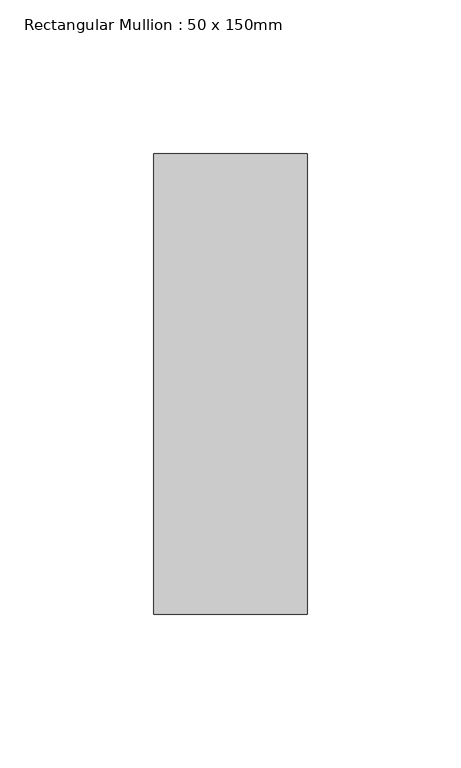
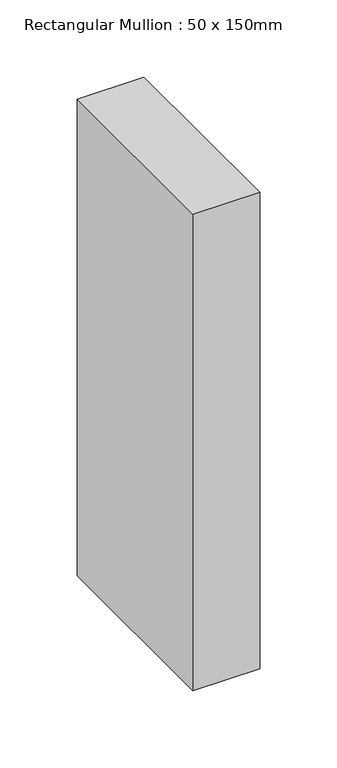
"""IFC4 building model written with IfcOpenShell, lengths in millimetres: member geometry, Rectangular Mullion : 50 x 150mm."""

from ifc_helpers import new_model, si_unit, frame, origin, place, context, project, spatial, polyline, outline, extrude, source, transform, mapped, element, save


def rectangular_mullion_50_x_150mm_8e968590(model_context):
    return source(origin(), model_context, "Body", "SweptSolid", [
        extrude(outline(polyline([(25.0, 75.0), (25.0, -75.0), (-25.0, -75.0), (-25.0, 75.0), (25.0, 75.0)])), frame((0.0, 0.0, -377.1504642), z_axis=(0.0, 0.0, 1.0), x_axis=(1.0, 0.0, 0.0)), (0.0, 0.0, 1.0), 377.1504642),
    ])


if __name__ == "__main__":
    model = new_model("IFC4")
    model_context = context("Model", 3, world=origin())
    ifc_project = project(units=[si_unit("LENGTHUNIT", "METRE", prefix="MILLI")], contexts=[model_context])
    site = spatial("IfcSite", under=ifc_project)
    building = spatial("IfcBuilding", under=site)
    placement = place(None, origin())
    rectangular_mullion_50_x_150mm_shape = rectangular_mullion_50_x_150mm_8e968590(model_context)
    element("IfcMember", 1, ObjectType="Rectangular Mullion : 50 x 150mm", at=placement, inside=building, context=model_context, shape_type="MappedRepresentation", body=[
        mapped(rectangular_mullion_50_x_150mm_shape, transform((0.0, 0.0, 0.0), x_axis=(1.0, 0.0, 0.0), y_axis=(0.0, 1.0, 0.0), z_axis=(0.0, 0.0, 1.0))),
    ])
    save(model, "model.ifc")
